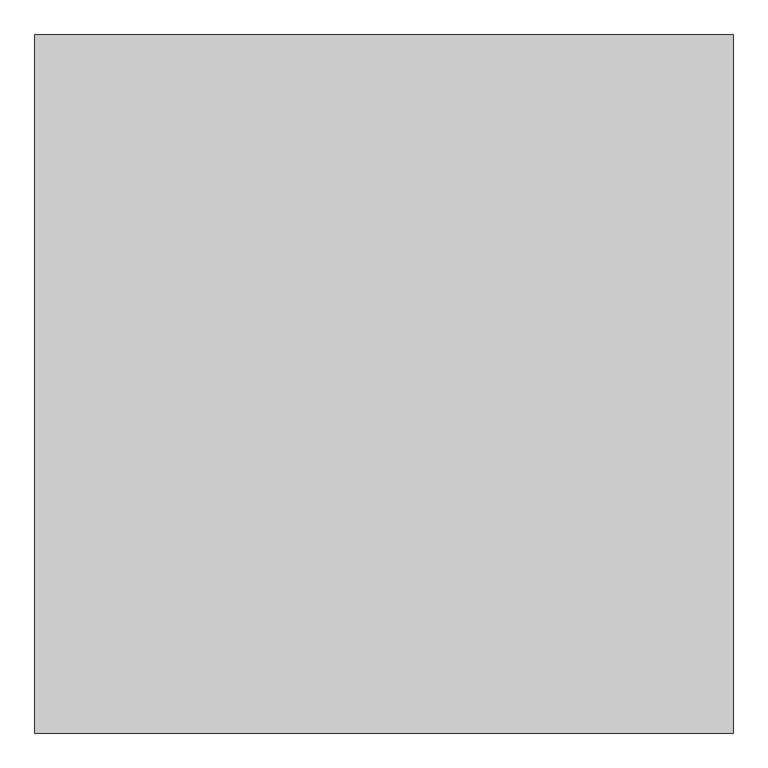
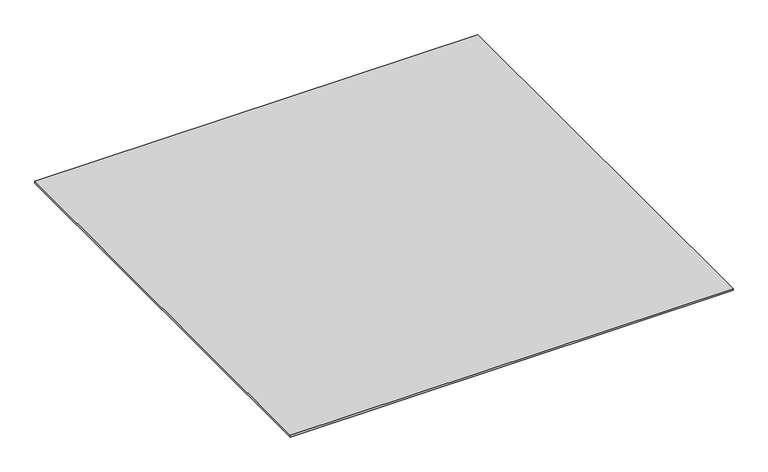
"""IFC4 building model written with IfcOpenShell, lengths in millimetres: proxy geometry."""

from ifc_helpers import new_model, si_unit, origin, origin_with_axes, place, context, project, spatial, polyline, outline, extrude, source, transform, mapped, element, save


def generic_models_c6394069(model_context):
    return source(origin(), model_context, "Body", "SweptSolid", [
        extrude(outline(polyline([(-5796.9237868, -37187.355679), (-5796.9237868, -38187.355679), (-6796.9237868, -38187.355679), (-6796.9237868, -37187.355679), (-5796.9237868, -37187.355679)])), origin_with_axes(), (0.0, 0.0, 1.0), 4.0),
    ])


if __name__ == "__main__":
    model = new_model("IFC4")
    model_context = context("Model", 3, world=origin())
    ifc_project = project(units=[si_unit("LENGTHUNIT", "METRE", prefix="MILLI")], contexts=[model_context])
    site = spatial("IfcSite", under=ifc_project)
    building = spatial("IfcBuilding", under=site)
    placement = place(None, origin())
    generic_models_shape = generic_models_c6394069(model_context)
    element("IfcBuildingElementProxy", 1, Name="Generic Models", at=placement, inside=building, context=model_context, shape_type="MappedRepresentation", body=[
        mapped(generic_models_shape, transform((0.0, 0.0, 0.0), x_axis=(1.0, 0.0, 0.0), y_axis=(0.0, 1.0, 0.0), z_axis=(0.0, 0.0, 1.0))),
    ])
    save(model, "model.ifc")
